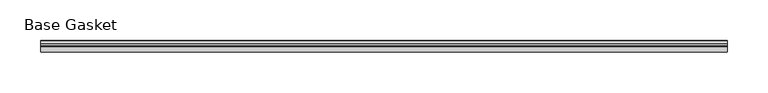
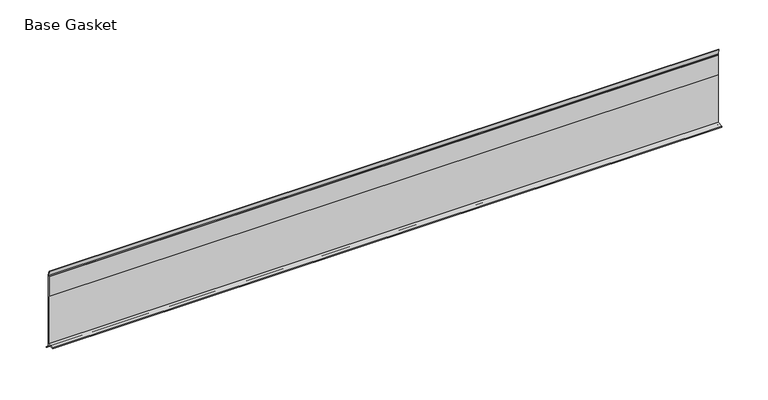
"""IFC4 building model written with IfcOpenShell, lengths in millimetres: furniture geometry, Base Gasket."""

from ifc_helpers import new_model, si_unit, frame, origin, place, context, project, spatial, polyline, outline, extrude, source, transform, mapped, element, save


def base_gasket_90be0ce1(model_context):
    return source(origin(), model_context, "Body", "SweptSolid", [
        extrude(outline(polyline([(3.7283812, 98.4568417), (3.7283812, 4.3498477), (7.4222115, 0.6560174), (7.8482342, 0.0), (6.8281054, 0.3520979), (2.2043812, 4.3498477), (2.1334222, 6.3818476), (-6.2405171, 6.3818476), (-6.2405171, 7.9398773), (2.2043812, 7.9398773), (2.2043812, 71.4693447), (1.4106313, 71.4693447), (1.4106313, 96.8693477), (2.2043812, 96.8693477), (2.2043812, 98.4568417), (0.6755308, 104.4162708), (0.6755308, 105.2002997), (1.1891543, 104.587663), (3.7283812, 98.4568417)])), frame((-1527.8982117, 0.0, 0.0), z_axis=(1.0, 0.0, 0.0), x_axis=(0.0, 1.0, 0.0)), (0.0, 0.0, 1.0), 838.2),
    ])


if __name__ == "__main__":
    model = new_model("IFC4")
    model_context = context("Model", 3, world=origin())
    ifc_project = project(units=[si_unit("LENGTHUNIT", "METRE", prefix="MILLI")], contexts=[model_context])
    site = spatial("IfcSite", under=ifc_project)
    building = spatial("IfcBuilding", under=site)
    placement = place(None, origin())
    base_gasket_shape = base_gasket_90be0ce1(model_context)
    element("IfcFurniture", 1, ObjectType="Base Gasket", at=placement, inside=building, context=model_context, shape_type="MappedRepresentation", body=[
        mapped(base_gasket_shape, transform((0.0, 0.0, 0.0), x_axis=(1.0, 0.0, 0.0), y_axis=(0.0, 1.0, 0.0), z_axis=(0.0, 0.0, 1.0))),
    ])
    save(model, "model.ifc")
